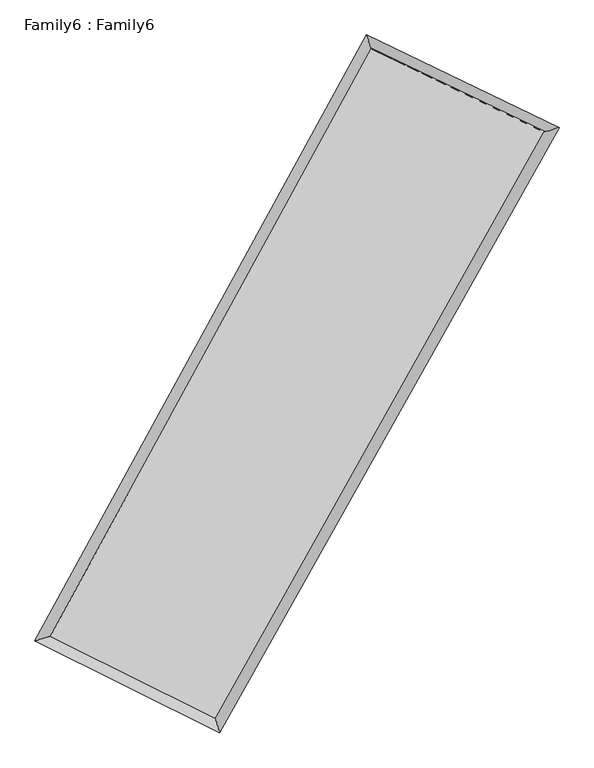
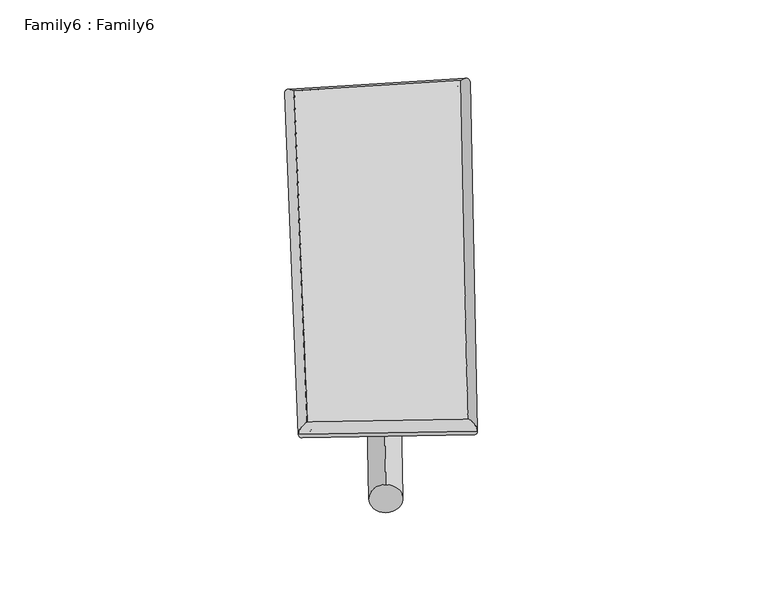
"""IFC4 building model written with IfcOpenShell, lengths in millimetres: plate geometry, Family6 : Family6."""

from ifc_helpers import new_model, si_unit, point, frame, origin, origin_2d, place, context, project, spatial, circle_curve, ellipse_curve, trimmed, segment, composite_curve, outline, extrude, source, transform, mapped, element, save
from ifc_brep_helpers import plane_surface, cylinder_surface, spline_surface, advanced_brep


def family6_family6_004b4796(model_context):
    return source(origin(), model_context, "Body", "SolidModel", [
        extrude(outline(composite_curve([segment(trimmed(circle_curve(origin_2d(), 76.2), [point((-75.4341514, -10.7763073))], [point((75.4341514, 10.7763073))], False, "CARTESIAN"), True, "CONTINUOUS"), segment(trimmed(circle_curve(origin_2d(), 76.2), [point((75.4341514, 10.7763073))], [point((-75.4341514, -10.7763073))], False, "CARTESIAN"), True, "CONTINUOUS")], self_intersect=False)), frame((9144.0, 9144.0, 0.0), z_axis=(0.6782689358929569, 0.6826530546116025, 0.2719118563654119), x_axis=(-0.6748645347396024, 0.7251087424739658, -0.13702252128217374)), (0.0, 0.0, 1.0), 5724.5616154),
        extrude(outline(composite_curve([segment(trimmed(circle_curve(origin_2d(), 76.2), [point((-53.8815367, 53.8815367))], [point((53.8815367, -53.8815367))], False, "CARTESIAN"), True, "CONTINUOUS"), segment(trimmed(circle_curve(origin_2d(), 76.2), [point((53.8815367, -53.8815367))], [point((-53.8815367, 53.8815367))], False, "CARTESIAN"), True, "CONTINUOUS")], self_intersect=False)), frame((9144.0, 9144.0, 0.0), z_axis=(-0.6718011722524484, -0.6883147841948009, 0.27368950074692466), x_axis=(0.6425702320369185, -0.3577270624957548, 0.6775948978985741)), (0.0, 0.0, 1.0), 5690.486311),
        extrude(outline(composite_curve([segment(trimmed(circle_curve(origin_2d(), 76.2), [point((-53.8815367, -53.8815367))], [point((53.8815367, 53.8815367))], False, "CARTESIAN"), True, "CONTINUOUS"), segment(trimmed(circle_curve(origin_2d(), 76.2), [point((53.8815367, 53.8815367))], [point((-53.8815367, -53.8815367))], False, "CARTESIAN"), True, "CONTINUOUS")], self_intersect=False)), frame((9144.0, 9144.0, 0.0), z_axis=(0.2117216012524552, 0.9397158766679008, 0.2685293926209481), x_axis=(-0.8496471846739246, 0.3127594199303085, -0.4245953447937589)), (0.0, 0.0, 1.0), 5546.20151),
        extrude(outline(composite_curve([segment(trimmed(circle_curve(origin_2d(), 76.2), [point((-75.4341514, 10.7763074))], [point((75.4341514, -10.7763074))], False, "CARTESIAN"), True, "CONTINUOUS"), segment(trimmed(circle_curve(origin_2d(), 76.2), [point((75.4341514, -10.7763074))], [point((-75.4341514, 10.7763074))], False, "CARTESIAN"), True, "CONTINUOUS")], self_intersect=False)), frame((9144.0, 9144.0, 0.0), z_axis=(-0.22139213494394777, -0.9375940728656531, 0.26814711841106464), x_axis=(0.8938467999172633, -0.08516434082200555, 0.44021010134936833)), (0.0, 0.0, 1.0), 5550.2690407),
        advanced_brep(
        [(5111.4303083, 5161.2936544, 1553.345364), (5111.3371833, 5161.1317308, 1563.4641586), (5530.8189428, 5293.0146314, 1561.507351), (10382.4104466, 14155.8530809, 1495.3826765), (10254.0908825, 14555.8541475, 1483.2535691), (5530.9120679, 5293.1765549, 1551.3885563), (12814.5116963, 12984.9747168, 1555.7762077), (13239.0729343, 13118.8042294, 1557.3761438), (7853.1689342, 4140.9923811, 1489.4957346), (7977.2592409, 3739.2089082, 1487.0815648)],
        [
            (0, 1, ellipse_curve(frame((5321.1246256, 5227.1541429, 1557.4263575), z_axis=(-0.2998447998819431, 0.9539060320027096, 0.01250512265445566), x_axis=(-0.9536894850994935, -0.3000531170992247, 0.02108300096527933)), 220.0188839, 152.4)),
            (1, 2, ellipse_curve(frame((5321.1246256, 5227.1541429, 1557.4263575), z_axis=(-0.2998447998819431, 0.9539060320027096, 0.01250512265445566), x_axis=(-0.9536894850994935, -0.3000531170992247, 0.02108300096527933)), 220.0188839, 152.4)),
            (2, 3),
            (3, 4, ellipse_curve(frame((10318.2506646, 14355.8536142, 1489.3181228), z_axis=(-0.9520503851257353, -0.30574671098127254, -0.01090930364749989), x_axis=(0.3054793754730466, -0.9519671505984105, 0.02099750799834627)), 210.1331295, 152.4)),
            (4, 0),
            (2, 5, ellipse_curve(frame((5321.1246256, 5227.1541429, 1557.4263575), z_axis=(-0.2998447998819431, 0.9539060320027096, 0.01250512265445566), x_axis=(-0.9536894850994935, -0.3000531170992247, 0.02108300096527933)), 220.0188839, 152.4)),
            (5, 0, ellipse_curve(frame((5321.1246256, 5227.1541429, 1557.4263575), z_axis=(-0.2998447998819431, 0.9539060320027096, 0.01250512265445566), x_axis=(-0.9536894850994935, -0.3000531170992247, 0.02108300096527933)), 220.0188839, 152.4)),
            (4, 3, ellipse_curve(frame((10318.2506646, 14355.8536142, 1489.3181228), z_axis=(-0.9520503851257353, -0.30574671098127254, -0.01090930364749989), x_axis=(0.3054793754730466, -0.9519671505984105, 0.02099750799834627)), 210.1331295, 152.4)),
            (3, 6),
            (6, 7, ellipse_curve(frame((13026.7923153, 13051.8894731, 1556.5761757), z_axis=(-0.3005763216681497, 0.9536876671103046, -0.011563237182977082), x_axis=(-0.9534950049619785, -0.3007559963500455, -0.01982690525644594)), 222.6119675, 152.4)),
            (7, 4),
            (7, 6, ellipse_curve(frame((13026.7923153, 13051.8894731, 1556.5761757), z_axis=(-0.3005763216681497, 0.9536876671103046, -0.011563237182977082), x_axis=(-0.9534950049619785, -0.3007559963500455, -0.01982690525644594)), 222.6119675, 152.4)),
            (6, 8),
            (8, 9, ellipse_curve(frame((7915.2140876, 3940.1006446, 1488.2886497), z_axis=(0.9553793377607095, 0.295139523045303, -0.011957546424722859), x_axis=(-0.29483668181068823, 0.955292912915523, 0.022063127435569)), 210.2836096, 152.4)),
            (9, 7),
            (9, 8, ellipse_curve(frame((7915.2140876, 3940.1006446, 1488.2886497), z_axis=(0.9553793377607095, 0.295139523045303, -0.011957546424722859), x_axis=(-0.29483668181068823, 0.955292912915523, 0.022063127435569)), 210.2836096, 152.4)),
            (8, 5),
            (1, 9),
        ],
        [
            cylinder_surface(frame((5321.1246256, 5227.1541429, 1557.4263575), z_axis=(-0.48016213297598326, -0.877155343938072, 0.006544360689689523), x_axis=(-0.8767848950475122, 0.4797087983046401, -0.033581492605916446)), 152.4),
            cylinder_surface(frame((10318.2506646, 14355.8536142, 1489.3181228), z_axis=(-0.9007955393493304, 0.43366698143711424, -0.022368404046125813), x_axis=(0.43407492544664406, 0.9006855500977272, -0.018560682736500456)), 152.4),
            cylinder_surface(frame((13026.7923153, 13051.8894731, 1556.5761757), z_axis=(0.48924685284324443, 0.8721208615907386, 0.006536035588085635), x_axis=(0.8721436805027464, -0.4892468528432444, -0.0017080814103130055)), 152.4),
            cylinder_surface(frame((7915.2140876, 3940.1006446, 1488.2886497), z_axis=(0.8955478188499243, -0.4443246734534081, -0.02386815270744009), x_axis=(-0.4440870066726446, -0.8958619866193899, 0.01476588754157432)), 152.4),
        ],
        [
            (0, [[1, 2, 3, 4, 5]]),
            (0, [[6, 7, -5, 8, -3]]),
            (1, [[-4, 9, 10, 11]]),
            (1, [[-8, -11, 12, -9]]),
            (2, [[-10, 13, 14, 15]]),
            (2, [[-12, -15, 16, -13]]),
            (3, [[-14, 17, -6, -2, 18]]),
            (3, [[-16, -18, -1, -7, -17]]),
        ],
    ),
        extrude(outline(composite_curve([segment(trimmed(circle_curve(origin_2d(), 304.8), [point((0.0, 304.7999999))], [point((0.0, -304.8))], False, "CARTESIAN"), True, "CONTINUOUS"), segment(trimmed(circle_curve(origin_2d(), 304.8), [point((0.0, -304.8))], [point((0.0, 304.7999999))], False, "CARTESIAN"), True, "CONTINUOUS")], self_intersect=False)), frame((11711.4837428, 13706.3790782, -0.0600925), z_axis=(-0.49042744808980515, -0.8714820239272664, 1.1478550832281845e-05), x_axis=(-0.8714820239976689, 0.4904274480898052, -3.007988492794562e-06)), (0.0, 0.0, 1.0), 10470.3917074),
        advanced_brep(
        [(5321.1246256, 5227.1541429, 1557.4263575), (7915.2140876, 3940.1006446, 1488.2886497), (7915.1985986, 3940.1058125, 1640.6886488), (5321.1091366, 5227.1593108, 1709.8263566), (13026.7923153, 13051.8894731, 1556.5761757), (13026.7768263, 13051.894641, 1708.9761748), (10318.2506646, 14355.8536142, 1489.3181228), (10318.2351756, 14355.8587821, 1641.718122)],
        [
            (0, 1),
            (1, 2),
            (2, 3),
            (3, 0),
            (1, 4),
            (4, 5),
            (5, 2),
            (4, 6),
            (6, 7),
            (7, 5),
            (6, 0),
            (3, 7),
        ],
        [
            plane_surface(frame((6618.1693566, 4583.6273937, 1522.8575036), z_axis=(-0.4444516072987266, -0.8958028625488411, -1.4794612729835885e-05), x_axis=(0.8955478188499243, -0.44432467345340787, -0.02386815270744009))),
            plane_surface(frame((10471.0032014, 8495.9950588, 1522.4324127), z_axis=(0.8721391492456885, -0.4892579005798015, 0.00010522952105256316), x_axis=(0.48924685284324454, 0.8721208615907385, 0.006536035588085639))),
            plane_surface(frame((11672.52149, 13703.8715436, 1522.9471493), z_axis=(0.43377524097872205, 0.901021109703164, 1.3532582661244033e-05), x_axis=(-0.9007955393493302, 0.4336669814371146, -0.02236840404612581))),
            plane_surface(frame((7819.6876451, 9791.5038785, 1523.3722402), z_axis=(-0.8771744546810023, 0.4801718077302475, -0.0001054331686684137), x_axis=(-0.48016213297598365, -0.8771553439380719, 0.006544360689689521))),
            spline_surface(1, 1, [[(7915.1985986, 3940.1058125, 1640.6886488), (5321.1091366, 5227.1593108, 1709.8263566)], [(13026.7768263, 13051.894641, 1708.9761748), (10318.2351756, 14355.8587821, 1641.718122)]], [2, 2], [2, 2], [0.0, 1.0], [0.0, 1.0]),
            spline_surface(1, 1, [[(10318.2506646, 14355.8536142, 1489.3181228), (5321.1246256, 5227.1541429, 1557.4263575)], [(13026.7923153, 13051.8894731, 1556.5761757), (7915.2140876, 3940.1006446, 1488.2886497)]], [2, 2], [2, 2], [0.0, 1.0], [0.0, 1.0]),
        ],
        [
            (0, [[1, 2, 3, 4]]),
            (1, [[5, 6, 7, -2]]),
            (2, [[8, 9, 10, -6]]),
            (3, [[11, -4, 12, -9]]),
            (4, [[-3, -7, -10, -12]]),
            (5, [[-11, -8, -5, -1]]),
        ],
    ),
    ])


if __name__ == "__main__":
    model = new_model("IFC4")
    model_context = context("Model", 3, world=origin())
    ifc_project = project(units=[si_unit("LENGTHUNIT", "METRE", prefix="MILLI")], contexts=[model_context])
    site = spatial("IfcSite", under=ifc_project)
    building = spatial("IfcBuilding", under=site)
    placement = place(None, origin())
    family6_family6_shape = family6_family6_004b4796(model_context)
    element("IfcPlate", 1, ObjectType="Family6 : Family6", at=placement, inside=building, context=model_context, shape_type="MappedRepresentation", body=[
        mapped(family6_family6_shape, transform((0.0, 0.0, 0.0), x_axis=(1.0, 0.0, 0.0), y_axis=(0.0, 1.0, 0.0), z_axis=(0.0, 0.0, 1.0))),
    ])
    save(model, "model.ifc")
